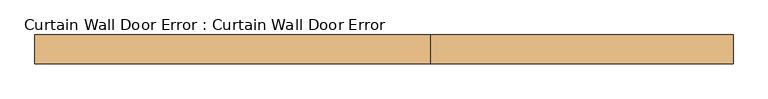
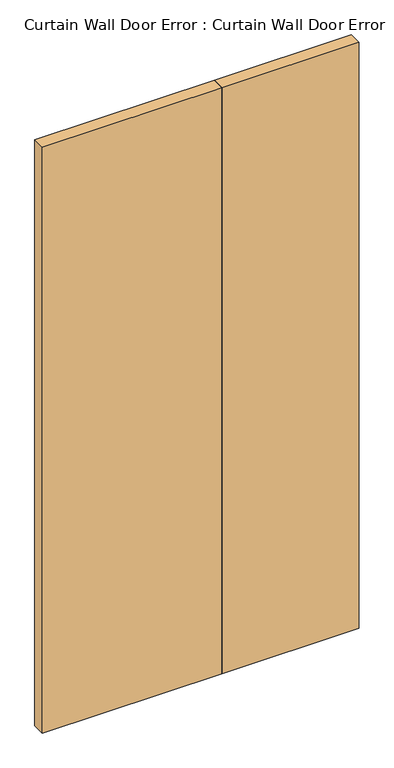
"""IFC4 building model written with IfcOpenShell, lengths in millimetres: door geometry, Curtain Wall Door Error : Curtain Wall Door Error."""

from ifc_helpers import new_model, si_unit, origin, origin_with_axes, place, context, project, spatial, polyline, outline, extrude, source, transform, mapped, element, save


def curtain_wall_door_error_curtain_wall_door_error_834e4199(model_context):
    return source(origin(), model_context, "Body", "SweptSolid", [
        extrude(outline(polyline([(82.5231001, 0.0), (615.95, 0.0), (615.95, -50.8), (82.5231001, -50.8), (82.5231001, 0.0)])), origin_with_axes(), (0.0, 0.0, 1.0), 2406.65),
        extrude(outline(polyline([(82.5231001, 0.0), (82.5231001, -50.8), (-615.95, -50.8), (-615.95, 0.0), (82.5231001, 0.0)])), origin_with_axes(), (0.0, 0.0, 1.0), 2406.65),
    ])


if __name__ == "__main__":
    model = new_model("IFC4")
    model_context = context("Model", 3, world=origin())
    ifc_project = project(units=[si_unit("LENGTHUNIT", "METRE", prefix="MILLI")], contexts=[model_context])
    site = spatial("IfcSite", under=ifc_project)
    building = spatial("IfcBuilding", under=site)
    placement = place(None, origin())
    curtain_wall_door_error_curtain_wall_door_error_shape = curtain_wall_door_error_curtain_wall_door_error_834e4199(model_context)
    element("IfcDoor", 1, ObjectType="Curtain Wall Door Error : Curtain Wall Door Error", at=placement, inside=building, context=model_context, shape_type="MappedRepresentation", body=[
        mapped(curtain_wall_door_error_curtain_wall_door_error_shape, transform((0.0, 0.0, 0.0), x_axis=(1.0, 0.0, 0.0), y_axis=(0.0, 1.0, 0.0), z_axis=(0.0, 0.0, 1.0))),
    ])
    save(model, "model.ifc")
